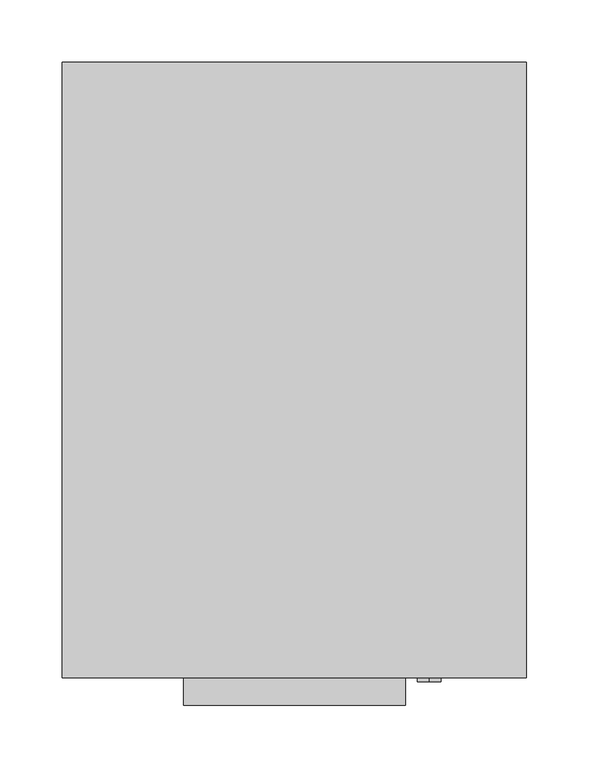
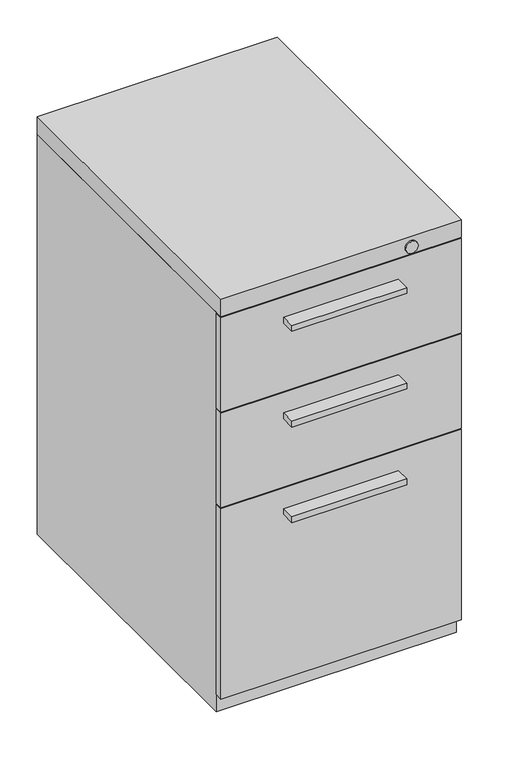
"""IFC4 building model written with IfcOpenShell, lengths in millimetres: furniture geometry."""

from ifc_helpers import new_model, si_unit, point, frame, frame_2d, origin, place, context, project, spatial, polyline, circle_curve, trimmed, segment, composite_curve, outline, extrude, source, transform, mapped, element, save
from ifc_brep_helpers import plane_surface, cylinder_surface, advanced_brep


def furniture_02910a23(model_context):
    return source(origin(), model_context, "Body", "SolidModel", [
        extrude(outline(polyline([(88.9, -268.2875), (-88.9, -268.2875), (-88.9, -246.0625), (88.9, -246.0625), (88.9, -268.2875)])), frame((0.0, 0.0, 306.3875045), z_axis=(0.0, 0.0, 1.0), x_axis=(1.0, 0.0, 0.0)), (0.0, 0.0, 1.0), 9.525),
        extrude(outline(polyline([(88.9, -268.2875), (-88.9, -268.2875), (-88.9, -246.0625), (88.9, -246.0625), (88.9, -268.2875)])), frame((0.0, 0.0, 462.7562614), z_axis=(0.0, 0.0, 1.0), x_axis=(1.0, 0.0, 0.0)), (0.0, 0.0, 1.0), 9.525),
        extrude(outline(polyline([(88.9, -268.2875), (-88.9, -268.2875), (-88.9, -246.0625), (88.9, -246.0625), (88.9, -268.2875)])), frame((0.0, 0.0, 619.1250038), z_axis=(0.0, 0.0, 1.0), x_axis=(1.0, 0.0, 0.0)), (0.0, 0.0, 1.0), 9.525),
        advanced_brep(
        [(133.35, 230.1874902, 9.525), (133.35, 179.3874932, 9.525), (133.35, 204.7874917, 9.525), (133.35, 230.1874902, 0.0), (133.35, 179.3874932, 0.0), (133.35, 204.7874917, 0.0)],
        [
            (0, 1, circle_curve(frame((133.35, 204.7874917, 9.525), z_axis=(0.0, 0.0, 1.0), x_axis=(0.0, -1.0, 0.0)), 25.3999985)),
            (1, 2),
            (2, 0),
            (1, 0, circle_curve(frame((133.35, 204.7874917, 9.525), z_axis=(0.0, 0.0, 1.0), x_axis=(0.0, -1.0, 0.0)), 25.3999985)),
            (3, 4, circle_curve(frame((133.35, 204.7874917, 0.0), z_axis=(0.0, 0.0, 1.0), x_axis=(0.0, -1.0, 0.0)), 25.3999985)),
            (4, 1),
            (0, 3),
            (4, 3, circle_curve(frame((133.35, 204.7874917, 0.0), z_axis=(0.0, 0.0, 1.0), x_axis=(0.0, -1.0, 0.0)), 25.3999985)),
            (5, 4),
            (3, 5),
        ],
        [
            plane_surface(frame((133.35, 204.7874917, 9.525), z_axis=(0.0, 0.0, 1.0), x_axis=(0.0, -1.0, 0.0))),
            cylinder_surface(frame((133.35, 204.7874917, 0.0), z_axis=(0.0, 0.0, -1.0), x_axis=(0.0, -1.0, 0.0)), 25.3999985),
            plane_surface(frame((133.35, 204.7874917, 0.0), z_axis=(0.0, 0.0, -1.0), x_axis=(0.0, -1.0, 0.0))),
        ],
        [
            (0, [[1, 2, 3]]),
            (0, [[4, -3, -2]]),
            (1, [[5, 6, -1, 7]]),
            (1, [[8, -7, -4, -6]]),
            (2, [[9, -5, 10]]),
            (2, [[-10, -8, -9]]),
        ],
    ),
        advanced_brep(
        [(133.35, -169.8625098, 9.525), (133.35, -220.6625068, 9.525), (133.35, -195.2625083, 9.525), (133.35, -169.8625098, 0.0), (133.35, -220.6625068, 0.0), (133.35, -195.2625083, 0.0)],
        [
            (0, 1, circle_curve(frame((133.35, -195.2625083, 9.525), z_axis=(0.0, 0.0, 1.0), x_axis=(0.0, -1.0, 0.0)), 25.3999985)),
            (1, 2),
            (2, 0),
            (1, 0, circle_curve(frame((133.35, -195.2625083, 9.525), z_axis=(0.0, 0.0, 1.0), x_axis=(0.0, -1.0, 0.0)), 25.3999985)),
            (3, 4, circle_curve(frame((133.35, -195.2625083, 0.0), z_axis=(0.0, 0.0, 1.0), x_axis=(0.0, -1.0, 0.0)), 25.3999985)),
            (4, 1),
            (0, 3),
            (4, 3, circle_curve(frame((133.35, -195.2625083, 0.0), z_axis=(0.0, 0.0, 1.0), x_axis=(0.0, -1.0, 0.0)), 25.3999985)),
            (5, 4),
            (3, 5),
        ],
        [
            plane_surface(frame((133.35, -195.2625083, 9.525), z_axis=(0.0, 0.0, 1.0), x_axis=(0.0, -1.0, 0.0))),
            cylinder_surface(frame((133.35, -195.2625083, 0.0), z_axis=(0.0, 0.0, -1.0), x_axis=(0.0, -1.0, 0.0)), 25.3999985),
            plane_surface(frame((133.35, -195.2625083, 0.0), z_axis=(0.0, 0.0, -1.0), x_axis=(0.0, -1.0, 0.0))),
        ],
        [
            (0, [[1, 2, 3]]),
            (0, [[4, -3, -2]]),
            (1, [[5, 6, -1, 7]]),
            (1, [[8, -7, -4, -6]]),
            (2, [[9, -5, 10]]),
            (2, [[-10, -8, -9]]),
        ],
    ),
        advanced_brep(
        [(-133.35, -169.8625098, 9.525), (-133.35, -220.6625068, 9.525), (-133.35, -195.2625083, 9.525), (-133.35, -169.8625098, 0.0), (-133.35, -220.6625068, 0.0), (-133.35, -195.2625083, 0.0)],
        [
            (0, 1, circle_curve(frame((-133.35, -195.2625083, 9.525), z_axis=(0.0, 0.0, 1.0), x_axis=(0.0, -1.0, 0.0)), 25.3999985)),
            (1, 2),
            (2, 0),
            (1, 0, circle_curve(frame((-133.35, -195.2625083, 9.525), z_axis=(0.0, 0.0, 1.0), x_axis=(0.0, -1.0, 0.0)), 25.3999985)),
            (3, 4, circle_curve(frame((-133.35, -195.2625083, 0.0), z_axis=(0.0, 0.0, 1.0), x_axis=(0.0, -1.0, 0.0)), 25.3999985)),
            (4, 1),
            (0, 3),
            (4, 3, circle_curve(frame((-133.35, -195.2625083, 0.0), z_axis=(0.0, 0.0, 1.0), x_axis=(0.0, -1.0, 0.0)), 25.3999985)),
            (5, 4),
            (3, 5),
        ],
        [
            plane_surface(frame((-133.35, -195.2625083, 9.525), z_axis=(0.0, 0.0, 1.0), x_axis=(0.0, -1.0, 0.0))),
            cylinder_surface(frame((-133.35, -195.2625083, 0.0), z_axis=(0.0, 0.0, -1.0), x_axis=(0.0, -1.0, 0.0)), 25.3999985),
            plane_surface(frame((-133.35, -195.2625083, 0.0), z_axis=(0.0, 0.0, -1.0), x_axis=(0.0, -1.0, 0.0))),
        ],
        [
            (0, [[1, 2, 3]]),
            (0, [[4, -3, -2]]),
            (1, [[5, 6, -1, 7]]),
            (1, [[8, -7, -4, -6]]),
            (2, [[9, -5, 10]]),
            (2, [[-10, -8, -9]]),
        ],
    ),
        advanced_brep(
        [(-133.35, 230.1874902, 9.525), (-133.35, 179.3874932, 9.525), (-133.35, 204.7874917, 9.525), (-133.35, 230.1874902, 0.0), (-133.35, 179.3874932, 0.0), (-133.35, 204.7874917, 0.0)],
        [
            (0, 1, circle_curve(frame((-133.35, 204.7874917, 9.525), z_axis=(0.0, 0.0, 1.0), x_axis=(0.0, -1.0, 0.0)), 25.3999985)),
            (1, 2),
            (2, 0),
            (1, 0, circle_curve(frame((-133.35, 204.7874917, 9.525), z_axis=(0.0, 0.0, 1.0), x_axis=(0.0, -1.0, 0.0)), 25.3999985)),
            (3, 4, circle_curve(frame((-133.35, 204.7874917, 0.0), z_axis=(0.0, 0.0, 1.0), x_axis=(0.0, -1.0, 0.0)), 25.3999985)),
            (4, 1),
            (0, 3),
            (4, 3, circle_curve(frame((-133.35, 204.7874917, 0.0), z_axis=(0.0, 0.0, 1.0), x_axis=(0.0, -1.0, 0.0)), 25.3999985)),
            (5, 4),
            (3, 5),
        ],
        [
            plane_surface(frame((-133.35, 204.7874917, 9.525), z_axis=(0.0, 0.0, 1.0), x_axis=(0.0, -1.0, 0.0))),
            cylinder_surface(frame((-133.35, 204.7874917, 0.0), z_axis=(0.0, 0.0, -1.0), x_axis=(0.0, -1.0, 0.0)), 25.3999985),
            plane_surface(frame((-133.35, 204.7874917, 0.0), z_axis=(0.0, 0.0, -1.0), x_axis=(0.0, -1.0, 0.0))),
        ],
        [
            (0, [[1, 2, 3]]),
            (0, [[4, -3, -2]]),
            (1, [[5, 6, -1, 7]]),
            (1, [[8, -7, -4, -6]]),
            (2, [[9, -5, 10]]),
            (2, [[-10, -8, -9]]),
        ],
    ),
        extrude(outline(polyline([(185.7375, -233.3624516), (185.7375, -246.0625), (-185.7375, -246.0625), (-185.7375, -233.3624516), (185.7375, -233.3624516)])), frame((0.0, 0.0, 350.8374992), z_axis=(0.0, 0.0, 1.0), x_axis=(1.0, 0.0, 0.0)), (0.0, 0.0, 1.0), 154.7812621),
        extrude(outline(polyline([(185.7375, -233.3624516), (185.7375, -246.0625), (-185.7375, -246.0625), (-185.7375, -233.3624516), (185.7375, -233.3624516)])), frame((0.0, 0.0, 507.2062614), z_axis=(0.0, 0.0, 1.0), x_axis=(1.0, 0.0, 0.0)), (0.0, 0.0, 1.0), 154.78125),
        extrude(outline(polyline([(-185.7375, -233.3624516), (185.7375, -233.3624516), (185.7375, -246.0625), (-185.7375, -246.0625), (-185.7375, -233.3624516)])), frame((0.0, 0.0, 38.1), z_axis=(0.0, 0.0, 1.0), x_axis=(1.0, 0.0, 0.0)), (0.0, 0.0, 1.0), 311.1500121),
        extrude(outline(polyline([(185.7375, 246.0625), (185.7375, -246.0625), (-185.7375, -246.0625), (-185.7375, 246.0625), (185.7375, 246.0625)])), frame((0.0, 0.0, 663.575), z_axis=(0.0, 0.0, 1.0), x_axis=(1.0, 0.0, 0.0)), (0.0, 0.0, 1.0), 28.575),
        extrude(outline(polyline([(185.7375, 246.0625), (185.7375, -233.3624516), (-185.7375, -233.3624516), (-185.7375, 246.0625), (185.7375, 246.0625)])), frame((0.0, 0.0, 9.525), z_axis=(0.0, 0.0, 1.0), x_axis=(1.0, 0.0, 0.0)), (0.0, 0.0, 1.0), 654.05),
        extrude(outline(composite_curve([segment(trimmed(circle_curve(frame_2d((676.2750242, 107.9500242)), 9.525), [point((666.7500242, 107.9500242))], [point((685.8000242, 107.9500242))], False, "CARTESIAN"), True, "CONTINUOUS"), segment(trimmed(circle_curve(frame_2d((676.2750242, 107.9500242)), 9.525), [point((685.8000242, 107.9500242))], [point((666.7500242, 107.9500242))], False, "CARTESIAN"), True, "CONTINUOUS")], self_intersect=False)), frame((0.0, -249.2374879, 0.0), z_axis=(0.0, 1.0, 0.0), x_axis=(0.0, 0.0, 1.0)), (0.0, 0.0, 1.0), 3.1749879),
    ])


if __name__ == "__main__":
    model = new_model("IFC4")
    model_context = context("Model", 3, world=origin())
    ifc_project = project(units=[si_unit("LENGTHUNIT", "METRE", prefix="MILLI")], contexts=[model_context])
    site = spatial("IfcSite", under=ifc_project)
    building = spatial("IfcBuilding", under=site)
    placement = place(None, origin())
    furniture_shape = furniture_02910a23(model_context)
    element("IfcFurniture", 1, at=placement, inside=building, context=model_context, shape_type="MappedRepresentation", body=[
        mapped(furniture_shape, transform((0.0, 0.0, 0.0), x_axis=(1.0, 0.0, 0.0), y_axis=(0.0, 1.0, 0.0), z_axis=(0.0, 0.0, 1.0))),
    ])
    save(model, "model.ifc")
